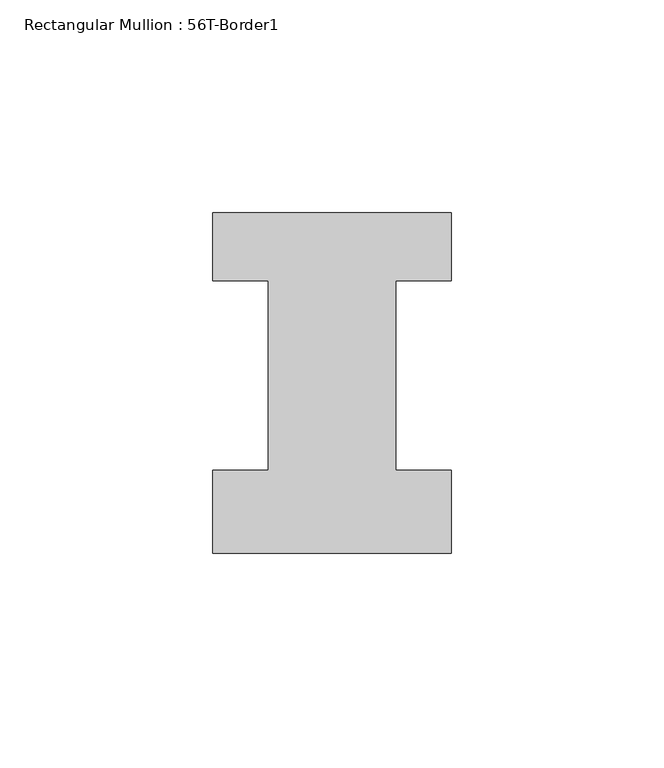
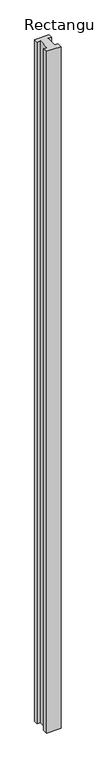
"""IFC4 building model written with IfcOpenShell, lengths in millimetres: member geometry, Rectangular Mullion : 56T-Border1."""

from ifc_helpers import new_model, si_unit, frame, origin, place, context, project, spatial, polyline, outline, extrude, source, transform, mapped, element, save


def rectangular_mullion_56t_border1_25841faf(model_context):
    return source(origin(), model_context, "Body", "SweptSolid", [
        extrude(outline(polyline([(-56.0, -20.0), (-56.0, -0.5), (-43.0, -0.5), (-43.0, 44.0), (-56.0, 44.0), (-56.0, 60.0), (0.0, 60.0), (0.0, 44.0), (-13.0, 44.0), (-13.0, -0.5), (0.0, -0.5), (0.0, -20.0), (-56.0, -20.0)])), frame((0.0, 0.0, -2800.0), z_axis=(0.0, 0.0, 1.0), x_axis=(1.0, 0.0, 0.0)), (0.0, 0.0, 1.0), 2800.0),
    ])


if __name__ == "__main__":
    model = new_model("IFC4")
    model_context = context("Model", 3, world=origin())
    ifc_project = project(units=[si_unit("LENGTHUNIT", "METRE", prefix="MILLI")], contexts=[model_context])
    site = spatial("IfcSite", under=ifc_project)
    building = spatial("IfcBuilding", under=site)
    placement = place(None, origin())
    rectangular_mullion_56t_border1_shape = rectangular_mullion_56t_border1_25841faf(model_context)
    element("IfcMember", 1, ObjectType="Rectangular Mullion : 56T-Border1", at=placement, inside=building, context=model_context, shape_type="MappedRepresentation", body=[
        mapped(rectangular_mullion_56t_border1_shape, transform((0.0, 0.0, 0.0), x_axis=(1.0, 0.0, 0.0), y_axis=(0.0, 1.0, 0.0), z_axis=(0.0, 0.0, 1.0))),
    ])
    save(model, "model.ifc")
